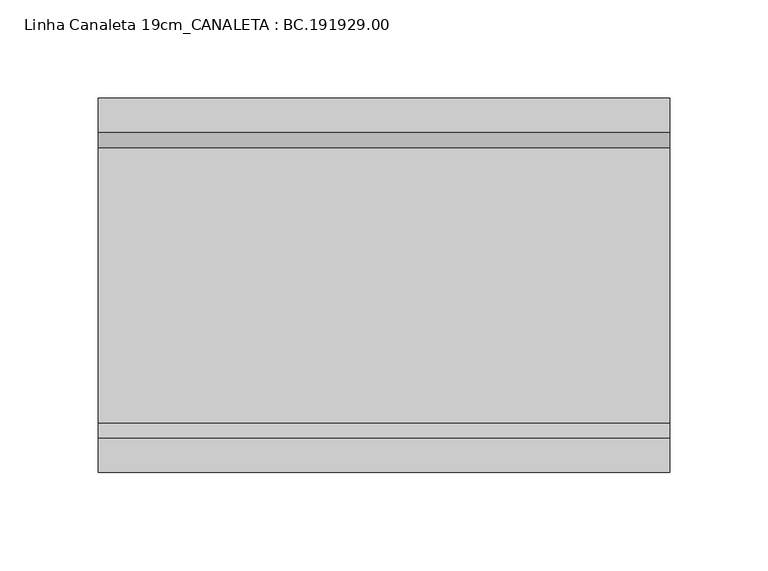
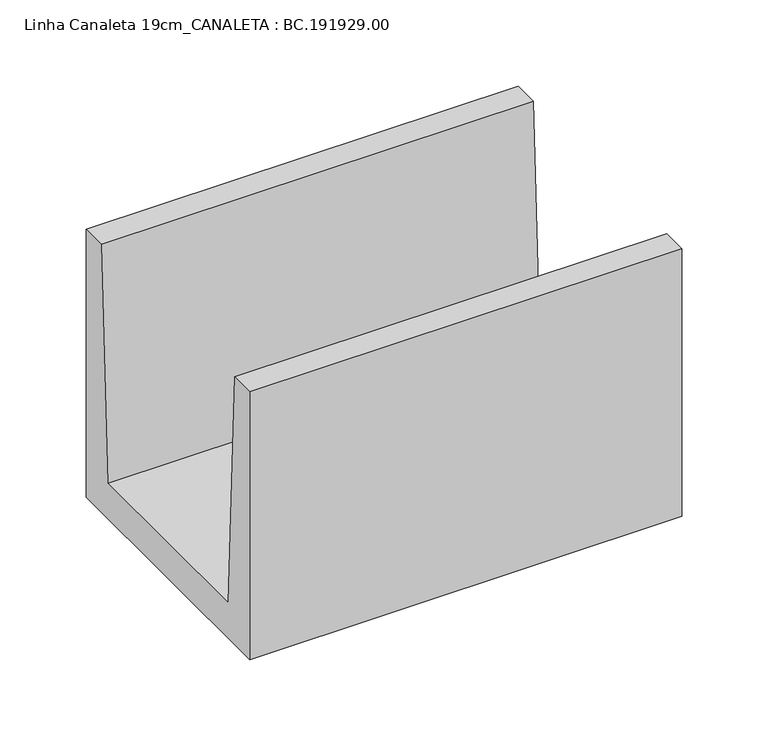
"""IFC4 building model written with IfcOpenShell, lengths in millimetres: proxy geometry, Linha Canaleta 19cm_CANALETA : BC.191929.00."""

import ifcopenshell
import ifcopenshell.guid

model = None  # the IFC model being written
_history = None  # IfcOwnerHistory: only IFC2X3 demands one
_inside = {}  # id of a spatial element -> (the spatial element, [elements in it])
_under = {}  # id of a project, library or spatial element -> (it, [spatial elements below it])
_declared = {}  # id of a project -> (the project, [libraries it declares])
_typed = {}  # id of a type object -> (the type object, [elements of that type])
_made_of = {}  # id of a material, layer set ... -> (it, [elements and type objects made of it])


def new_model(schema):
    """Start an empty IFC model of exactly this schema.

    Asked for "IFC4X3", IfcOpenShell would pick the latest addendum, in which some entities
    have other attributes; the version numbers below select the first issue.
    IFC2X3 requires an IfcOwnerHistory on every rooted entity: one is made here for all.
    """
    global model, _history
    if schema == "IFC4X3":
        model = ifcopenshell.file(schema_version=(4, 3, 0, 0))
    else:
        model = ifcopenshell.file(schema=schema)
    _inside.clear()
    _under.clear()
    _declared.clear()
    _typed.clear()
    _made_of.clear()
    _history = None
    if model.schema == "IFC2X3":
        org = make("IfcOrganization", Name="unknown")
        user = make(
            "IfcPersonAndOrganization",
            ThePerson=make("IfcPerson", FamilyName="unknown"),
            TheOrganization=org,
        )
        app = make(
            "IfcApplication",
            ApplicationDeveloper=org,
            Version="unknown",
            ApplicationFullName="unknown",
            ApplicationIdentifier="unknown",
        )
        _history = make(
            "IfcOwnerHistory",
            OwningUser=user,
            OwningApplication=app,
            ChangeAction="ADDED",
            CreationDate=0,
        )
    return model


def make(cls, **values):
    """One entity of the class cls with the attributes given. An attribute that is None is left unset."""
    return model.create_entity(
        cls, **{name: value for name, value in values.items() if value is not None}
    )


def rooted(cls, **values):
    """An entity with a GlobalId (a new one), such as an element, a storey or a relation."""
    return make(cls, GlobalId=ifcopenshell.guid.new(), OwnerHistory=_history, **values)


def si_unit(unit_type, name, prefix=None):
    """IfcSIUnit, for example si_unit("LENGTHUNIT", "METRE", prefix="MILLI")."""
    return make("IfcSIUnit", UnitType=unit_type, Prefix=prefix, Name=name)


def assignment(units):
    """IfcUnitAssignment: the units of a project."""
    return None if units is None else make("IfcUnitAssignment", Units=units)


def point(xyz):
    """IfcCartesianPoint."""
    return None if xyz is None else make("IfcCartesianPoint", Coordinates=xyz)


def direction(xyz):
    """IfcDirection."""
    return None if xyz is None else make("IfcDirection", DirectionRatios=xyz)


def frame(location, z_axis=None, x_axis=None):
    """IfcAxis2Placement3D, a coordinate frame: its origin and axes. An axis left out is left unset."""
    return make(
        "IfcAxis2Placement3D",
        Location=point(location),
        Axis=direction(z_axis),
        RefDirection=direction(x_axis),
    )


def origin():
    """The frame at (0, 0, 0) with its axes left unset."""
    return frame((0.0, 0.0, 0.0))


def place(relative_to, where):
    """IfcLocalPlacement: puts the frame where relative to a parent placement (None: the world)."""
    return make(
        "IfcLocalPlacement", PlacementRelTo=relative_to, RelativePlacement=where
    )


def context(
    kind, dimensions, precision=None, world=None, true_north=None, identifier=None
):
    """IfcGeometricRepresentationContext, for example the 3D "Model" context."""
    return make(
        "IfcGeometricRepresentationContext",
        ContextIdentifier=identifier,
        ContextType=kind,
        CoordinateSpaceDimension=dimensions,
        Precision=precision,
        WorldCoordinateSystem=world,
        TrueNorth=true_north,
    )


def project(units=None, contexts=None):
    """IfcProject with its units and contexts."""
    return rooted(
        "IfcProject",
        Name="project",
        RepresentationContexts=contexts,
        UnitsInContext=assignment(units),
    )


def spatial(cls, under=None, at=None, **own):
    """A site, building, storey or space (cls), placed at a placement, below another one or the project."""
    s = rooted(cls, ObjectPlacement=at, **own)
    if under is not None:
        _under.setdefault(under.id(), (under, []))[1].append(s)
    return s


def polyline(points):
    """IfcPolyline through the points."""
    return make("IfcPolyline", Points=[point(p) for p in points])


def outline(outer, holes=None, kind="AREA"):
    """IfcArbitraryClosedProfileDef: a profile drawn as a closed curve; with holes, ...WithVoids."""
    if holes is None:
        return make("IfcArbitraryClosedProfileDef", ProfileType=kind, OuterCurve=outer)
    return make(
        "IfcArbitraryProfileDefWithVoids",
        ProfileType=kind,
        OuterCurve=outer,
        InnerCurves=holes,
    )


def extrude(swept, where, along, depth):
    """IfcExtrudedAreaSolid: the profile swept, set in the frame where, extruded along a direction by depth."""
    return make(
        "IfcExtrudedAreaSolid",
        SweptArea=swept,
        Position=where,
        ExtrudedDirection=direction(along),
        Depth=depth,
    )


def shape(context_of_items, identifier, shape_type, items):
    """IfcShapeRepresentation: the items that make up one representation, for example the "Body"."""
    return make(
        "IfcShapeRepresentation",
        ContextOfItems=context_of_items,
        RepresentationIdentifier=identifier,
        RepresentationType=shape_type,
        Items=items,
    )


def source(mapping_origin, context_of_items, identifier, shape_type, items):
    """IfcRepresentationMap: a shape defined once, which mapped items show again and again."""
    return make(
        "IfcRepresentationMap",
        MappingOrigin=mapping_origin,
        MappedRepresentation=shape(context_of_items, identifier, shape_type, items),
    )


def transform(
    local_origin,
    x_axis=None,
    y_axis=None,
    z_axis=None,
    scale=None,
    scale2=None,
    scale3=None,
    uniform=True,
):
    """IfcCartesianTransformationOperator3D, or its non-uniform kind. x_axis, y_axis, z_axis: its Axis1, 2, 3."""
    if uniform:
        return make(
            "IfcCartesianTransformationOperator3D",
            Axis1=direction(x_axis),
            Axis2=direction(y_axis),
            LocalOrigin=point(local_origin),
            Scale=scale,
            Axis3=direction(z_axis),
        )
    return make(
        "IfcCartesianTransformationOperator3DnonUniform",
        Axis1=direction(x_axis),
        Axis2=direction(y_axis),
        LocalOrigin=point(local_origin),
        Scale=scale,
        Axis3=direction(z_axis),
        Scale2=scale2,
        Scale3=scale3,
    )


def mapped(mapping_source, mapping_target):
    """IfcMappedItem: shows the shape of a source again, moved by a transform."""
    return make(
        "IfcMappedItem", MappingSource=mapping_source, MappingTarget=mapping_target
    )


def made_of(thing, what):
    """Note that an element or type object is made of a material, layer set ...; save() writes the relation."""
    if what is not None:
        _made_of.setdefault(what.id(), (what, []))[1].append(thing)
    return thing


def element(
    cls,
    number,
    at=None,
    inside=None,
    cuts=None,
    type_object=None,
    material=None,
    context=None,
    identifier="Body",
    shape_type=None,
    held_by="IfcProductDefinitionShape",
    body=None,
    shapes=None,
    **own,
):
    """One element of the class cls, such as IfcWall. Its Tag is "e" and its number.

    at: its placement. inside: the storey or other place that contains it. cuts: it is an
    opening in that element (IfcRelVoidsElement). A single representation is given by context,
    identifier, shape_type and body (its items); several are given by shapes. held_by: the class
    of the entity that holds the representations. save() writes the other relations.
    """
    e = rooted(cls, Tag="e%d" % number, ObjectPlacement=at, **own)
    if body is not None:
        shapes = [shape(context, identifier, shape_type, body)]
    if shapes is not None:
        e.Representation = make(held_by, Representations=shapes)
    if inside is not None:
        _inside.setdefault(inside.id(), (inside, []))[1].append(e)
    if cuts is not None:
        rooted(
            "IfcRelVoidsElement", RelatingBuildingElement=cuts, RelatedOpeningElement=e
        )
    if type_object is not None:
        _typed.setdefault(type_object.id(), (type_object, []))[1].append(e)
    return made_of(e, material)


def aggregate(whole, parts):
    """IfcRelAggregates: a whole, such as a stair, and the parts it consists of."""
    return rooted("IfcRelAggregates", RelatingObject=whole, RelatedObjects=parts)


def save(model, path):
    """Write the relations noted so far, then the file.

    IfcRelAggregates (storeys below a building ...), IfcRelContainedInSpatialStructure (elements
    in a storey), IfcRelDefinesByType, IfcRelAssociatesMaterial and IfcRelDeclares: one each for
    every whole, place, type object, material and project.
    """
    for whole, parts in _under.values():
        aggregate(whole, parts)
    for where, things in _inside.values():
        rooted(
            "IfcRelContainedInSpatialStructure",
            RelatedElements=things,
            RelatingStructure=where,
        )
    for kind, things in _typed.values():
        rooted("IfcRelDefinesByType", RelatedObjects=things, RelatingType=kind)
    for what, things in _made_of.values():
        rooted("IfcRelAssociatesMaterial", RelatedObjects=things, RelatingMaterial=what)
    for by, libraries in _declared.values():
        rooted("IfcRelDeclares", RelatingContext=by, RelatedDefinitions=libraries)
    model.write(path)


def linha_canaleta_19cm_canaleta_bc_191929_00_55484a95(model_context):
    return source(origin(), model_context, "Body", "SweptSolid", [
        extrude(outline(polyline([(95.0050293, 189.9977051), (95.0050293, 0.0), (-95.0050293, 0.0), (-95.0050293, 189.9977051), (-77.4923553, 189.9977051), (-70.0019043, 25.003125), (70.0019043, 25.003125), (77.4923553, 189.9977051), (95.0050293, 189.9977051)])), frame((5.0, 0.0, 0.0), z_axis=(1.0, 0.0, 0.0), x_axis=(0.0, 1.0, 0.0)), (0.0, 0.0, 1.0), 290.0),
    ])


if __name__ == "__main__":
    model = new_model("IFC4")
    model_context = context("Model", 3, world=origin())
    ifc_project = project(units=[si_unit("LENGTHUNIT", "METRE", prefix="MILLI")], contexts=[model_context])
    site = spatial("IfcSite", under=ifc_project)
    building = spatial("IfcBuilding", under=site)
    placement = place(None, origin())
    linha_canaleta_19cm_canaleta_bc_191929_00_shape = linha_canaleta_19cm_canaleta_bc_191929_00_55484a95(model_context)
    element("IfcBuildingElementProxy", 1, Name="Linha Canaleta 19cm_CANALETA : BC.191929.00", ObjectType="Linha Canaleta 19cm_CANALETA : BC.191929.00", at=placement, inside=building, context=model_context, shape_type="MappedRepresentation", body=[
        mapped(linha_canaleta_19cm_canaleta_bc_191929_00_shape, transform((0.0, 0.0, 0.0), x_axis=(1.0, 0.0, 0.0), y_axis=(0.0, 1.0, 0.0), z_axis=(0.0, 0.0, 1.0))),
    ])
    save(model, "model.ifc")
